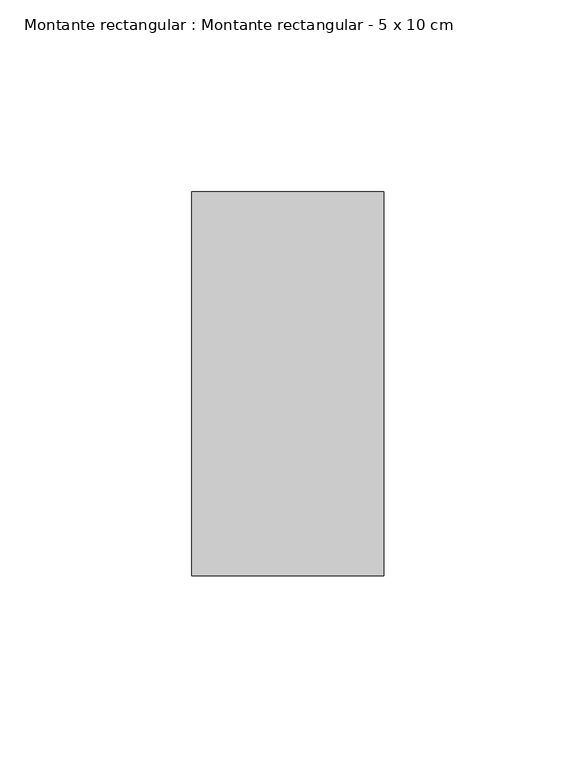
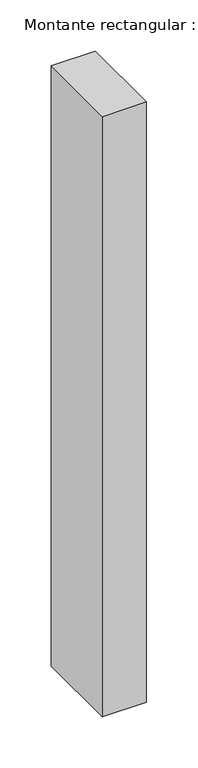
"""IFC4 building model written with IfcOpenShell, lengths in millimetres: member geometry, Montante rectangular : Montante rectangular - 5 x 10 cm."""

from ifc_helpers import new_model, si_unit, frame, origin, place, context, project, spatial, polyline, outline, extrude, source, transform, mapped, element, save


def montante_rectangular_montante_rectangular_5_x_10_cm_7cceb5a7(model_context):
    return source(origin(), model_context, "Body", "SweptSolid", [
        extrude(outline(polyline([(0.0, 50.0), (0.0, -50.0), (-50.0, -50.0), (-50.0, 50.0), (0.0, 50.0)])), frame((0.0, 0.0, -717.1037779), z_axis=(0.0, 0.0, 1.0), x_axis=(1.0, 0.0, 0.0)), (0.0, 0.0, 1.0), 717.1037779),
    ])


if __name__ == "__main__":
    model = new_model("IFC4")
    model_context = context("Model", 3, world=origin())
    ifc_project = project(units=[si_unit("LENGTHUNIT", "METRE", prefix="MILLI")], contexts=[model_context])
    site = spatial("IfcSite", under=ifc_project)
    building = spatial("IfcBuilding", under=site)
    placement = place(None, origin())
    montante_rectangular_montante_rectangular_5_x_10_cm_shape = montante_rectangular_montante_rectangular_5_x_10_cm_7cceb5a7(model_context)
    element("IfcMember", 1, ObjectType="Montante rectangular : Montante rectangular - 5 x 10 cm", at=placement, inside=building, context=model_context, shape_type="MappedRepresentation", body=[
        mapped(montante_rectangular_montante_rectangular_5_x_10_cm_shape, transform((0.0, 0.0, 0.0), x_axis=(1.0, 0.0, 0.0), y_axis=(0.0, 1.0, 0.0), z_axis=(0.0, 0.0, 1.0))),
    ])
    save(model, "model.ifc")
